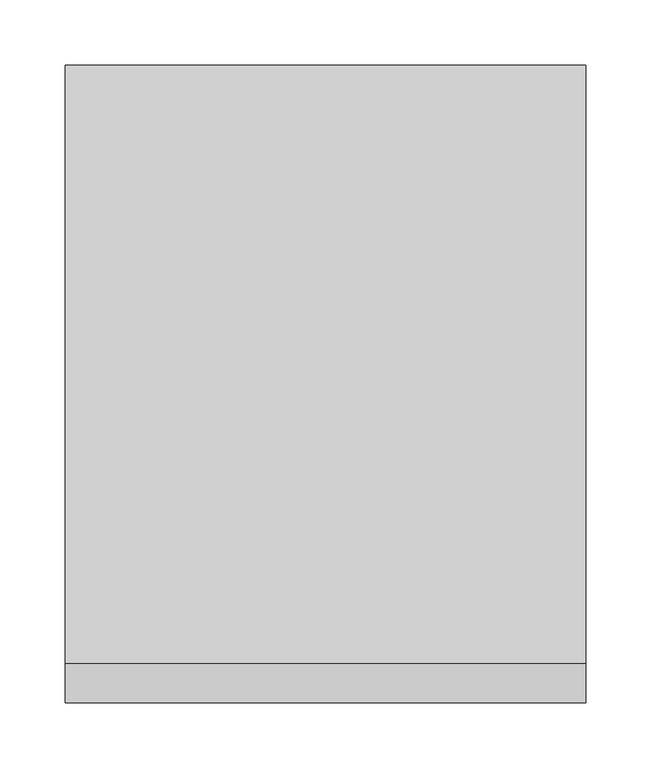
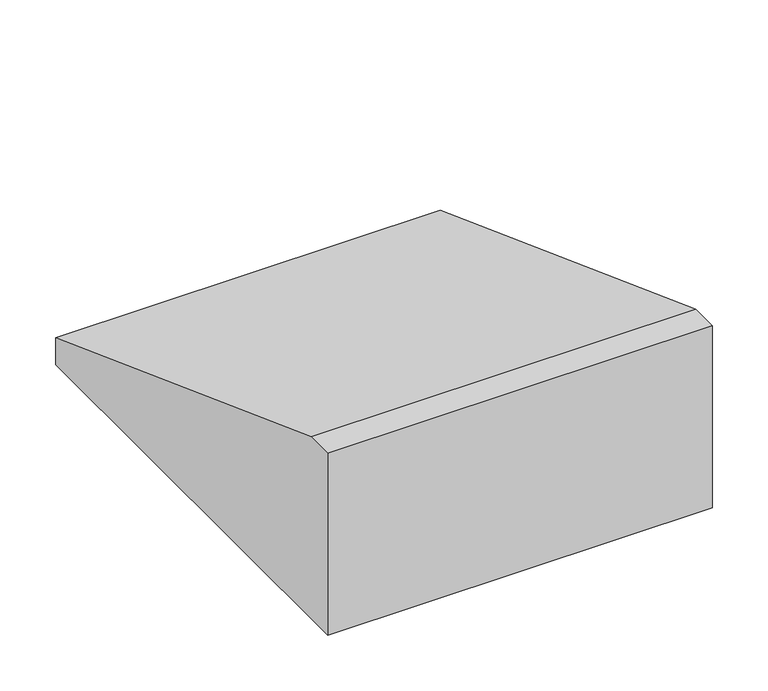
"""IFC4 building model written with IfcOpenShell, lengths in millimetres: furniture geometry."""

import ifcopenshell
import ifcopenshell.guid

model = None  # the IFC model being written
_history = None  # IfcOwnerHistory: only IFC2X3 demands one
_inside = {}  # id of a spatial element -> (the spatial element, [elements in it])
_under = {}  # id of a project, library or spatial element -> (it, [spatial elements below it])
_declared = {}  # id of a project -> (the project, [libraries it declares])
_typed = {}  # id of a type object -> (the type object, [elements of that type])
_made_of = {}  # id of a material, layer set ... -> (it, [elements and type objects made of it])


def new_model(schema):
    """Start an empty IFC model of exactly this schema.

    Asked for "IFC4X3", IfcOpenShell would pick the latest addendum, in which some entities
    have other attributes; the version numbers below select the first issue.
    IFC2X3 requires an IfcOwnerHistory on every rooted entity: one is made here for all.
    """
    global model, _history
    if schema == "IFC4X3":
        model = ifcopenshell.file(schema_version=(4, 3, 0, 0))
    else:
        model = ifcopenshell.file(schema=schema)
    _inside.clear()
    _under.clear()
    _declared.clear()
    _typed.clear()
    _made_of.clear()
    _history = None
    if model.schema == "IFC2X3":
        org = make("IfcOrganization", Name="unknown")
        user = make(
            "IfcPersonAndOrganization",
            ThePerson=make("IfcPerson", FamilyName="unknown"),
            TheOrganization=org,
        )
        app = make(
            "IfcApplication",
            ApplicationDeveloper=org,
            Version="unknown",
            ApplicationFullName="unknown",
            ApplicationIdentifier="unknown",
        )
        _history = make(
            "IfcOwnerHistory",
            OwningUser=user,
            OwningApplication=app,
            ChangeAction="ADDED",
            CreationDate=0,
        )
    return model


def make(cls, **values):
    """One entity of the class cls with the attributes given. An attribute that is None is left unset."""
    return model.create_entity(
        cls, **{name: value for name, value in values.items() if value is not None}
    )


def rooted(cls, **values):
    """An entity with a GlobalId (a new one), such as an element, a storey or a relation."""
    return make(cls, GlobalId=ifcopenshell.guid.new(), OwnerHistory=_history, **values)


def si_unit(unit_type, name, prefix=None):
    """IfcSIUnit, for example si_unit("LENGTHUNIT", "METRE", prefix="MILLI")."""
    return make("IfcSIUnit", UnitType=unit_type, Prefix=prefix, Name=name)


def assignment(units):
    """IfcUnitAssignment: the units of a project."""
    return None if units is None else make("IfcUnitAssignment", Units=units)


def point(xyz):
    """IfcCartesianPoint."""
    return None if xyz is None else make("IfcCartesianPoint", Coordinates=xyz)


def direction(xyz):
    """IfcDirection."""
    return None if xyz is None else make("IfcDirection", DirectionRatios=xyz)


def frame(location, z_axis=None, x_axis=None):
    """IfcAxis2Placement3D, a coordinate frame: its origin and axes. An axis left out is left unset."""
    return make(
        "IfcAxis2Placement3D",
        Location=point(location),
        Axis=direction(z_axis),
        RefDirection=direction(x_axis),
    )


def origin():
    """The frame at (0, 0, 0) with its axes left unset."""
    return frame((0.0, 0.0, 0.0))


def place(relative_to, where):
    """IfcLocalPlacement: puts the frame where relative to a parent placement (None: the world)."""
    return make(
        "IfcLocalPlacement", PlacementRelTo=relative_to, RelativePlacement=where
    )


def context(
    kind, dimensions, precision=None, world=None, true_north=None, identifier=None
):
    """IfcGeometricRepresentationContext, for example the 3D "Model" context."""
    return make(
        "IfcGeometricRepresentationContext",
        ContextIdentifier=identifier,
        ContextType=kind,
        CoordinateSpaceDimension=dimensions,
        Precision=precision,
        WorldCoordinateSystem=world,
        TrueNorth=true_north,
    )


def project(units=None, contexts=None):
    """IfcProject with its units and contexts."""
    return rooted(
        "IfcProject",
        Name="project",
        RepresentationContexts=contexts,
        UnitsInContext=assignment(units),
    )


def spatial(cls, under=None, at=None, **own):
    """A site, building, storey or space (cls), placed at a placement, below another one or the project."""
    s = rooted(cls, ObjectPlacement=at, **own)
    if under is not None:
        _under.setdefault(under.id(), (under, []))[1].append(s)
    return s


def polyline(points):
    """IfcPolyline through the points."""
    return make("IfcPolyline", Points=[point(p) for p in points])


def outline(outer, holes=None, kind="AREA"):
    """IfcArbitraryClosedProfileDef: a profile drawn as a closed curve; with holes, ...WithVoids."""
    if holes is None:
        return make("IfcArbitraryClosedProfileDef", ProfileType=kind, OuterCurve=outer)
    return make(
        "IfcArbitraryProfileDefWithVoids",
        ProfileType=kind,
        OuterCurve=outer,
        InnerCurves=holes,
    )


def extrude(swept, where, along, depth):
    """IfcExtrudedAreaSolid: the profile swept, set in the frame where, extruded along a direction by depth."""
    return make(
        "IfcExtrudedAreaSolid",
        SweptArea=swept,
        Position=where,
        ExtrudedDirection=direction(along),
        Depth=depth,
    )


def shape(context_of_items, identifier, shape_type, items):
    """IfcShapeRepresentation: the items that make up one representation, for example the "Body"."""
    return make(
        "IfcShapeRepresentation",
        ContextOfItems=context_of_items,
        RepresentationIdentifier=identifier,
        RepresentationType=shape_type,
        Items=items,
    )


def source(mapping_origin, context_of_items, identifier, shape_type, items):
    """IfcRepresentationMap: a shape defined once, which mapped items show again and again."""
    return make(
        "IfcRepresentationMap",
        MappingOrigin=mapping_origin,
        MappedRepresentation=shape(context_of_items, identifier, shape_type, items),
    )


def transform(
    local_origin,
    x_axis=None,
    y_axis=None,
    z_axis=None,
    scale=None,
    scale2=None,
    scale3=None,
    uniform=True,
):
    """IfcCartesianTransformationOperator3D, or its non-uniform kind. x_axis, y_axis, z_axis: its Axis1, 2, 3."""
    if uniform:
        return make(
            "IfcCartesianTransformationOperator3D",
            Axis1=direction(x_axis),
            Axis2=direction(y_axis),
            LocalOrigin=point(local_origin),
            Scale=scale,
            Axis3=direction(z_axis),
        )
    return make(
        "IfcCartesianTransformationOperator3DnonUniform",
        Axis1=direction(x_axis),
        Axis2=direction(y_axis),
        LocalOrigin=point(local_origin),
        Scale=scale,
        Axis3=direction(z_axis),
        Scale2=scale2,
        Scale3=scale3,
    )


def mapped(mapping_source, mapping_target):
    """IfcMappedItem: shows the shape of a source again, moved by a transform."""
    return make(
        "IfcMappedItem", MappingSource=mapping_source, MappingTarget=mapping_target
    )


def made_of(thing, what):
    """Note that an element or type object is made of a material, layer set ...; save() writes the relation."""
    if what is not None:
        _made_of.setdefault(what.id(), (what, []))[1].append(thing)
    return thing


def element(
    cls,
    number,
    at=None,
    inside=None,
    cuts=None,
    type_object=None,
    material=None,
    context=None,
    identifier="Body",
    shape_type=None,
    held_by="IfcProductDefinitionShape",
    body=None,
    shapes=None,
    **own,
):
    """One element of the class cls, such as IfcWall. Its Tag is "e" and its number.

    at: its placement. inside: the storey or other place that contains it. cuts: it is an
    opening in that element (IfcRelVoidsElement). A single representation is given by context,
    identifier, shape_type and body (its items); several are given by shapes. held_by: the class
    of the entity that holds the representations. save() writes the other relations.
    """
    e = rooted(cls, Tag="e%d" % number, ObjectPlacement=at, **own)
    if body is not None:
        shapes = [shape(context, identifier, shape_type, body)]
    if shapes is not None:
        e.Representation = make(held_by, Representations=shapes)
    if inside is not None:
        _inside.setdefault(inside.id(), (inside, []))[1].append(e)
    if cuts is not None:
        rooted(
            "IfcRelVoidsElement", RelatingBuildingElement=cuts, RelatedOpeningElement=e
        )
    if type_object is not None:
        _typed.setdefault(type_object.id(), (type_object, []))[1].append(e)
    return made_of(e, material)


def aggregate(whole, parts):
    """IfcRelAggregates: a whole, such as a stair, and the parts it consists of."""
    return rooted("IfcRelAggregates", RelatingObject=whole, RelatedObjects=parts)


def save(model, path):
    """Write the relations noted so far, then the file.

    IfcRelAggregates (storeys below a building ...), IfcRelContainedInSpatialStructure (elements
    in a storey), IfcRelDefinesByType, IfcRelAssociatesMaterial and IfcRelDeclares: one each for
    every whole, place, type object, material and project.
    """
    for whole, parts in _under.values():
        aggregate(whole, parts)
    for where, things in _inside.values():
        rooted(
            "IfcRelContainedInSpatialStructure",
            RelatedElements=things,
            RelatingStructure=where,
        )
    for kind, things in _typed.values():
        rooted("IfcRelDefinesByType", RelatedObjects=things, RelatingType=kind)
    for what, things in _made_of.values():
        rooted("IfcRelAssociatesMaterial", RelatedObjects=things, RelatingMaterial=what)
    for by, libraries in _declared.values():
        rooted("IfcRelDeclares", RelatingContext=by, RelatedDefinitions=libraries)
    model.write(path)


def furniture_259ae2cb(model_context):
    return source(origin(), model_context, "Body", "SweptSolid", [
        extrude(outline(polyline([(245.0, 30.0), (245.0, 0.0), (-245.0, 0.0), (-245.0, 200.0), (-215.0, 200.0), (245.0, 30.0)])), frame((-200.0, 0.0, 0.0), z_axis=(1.0, 0.0, 0.0), x_axis=(0.0, 1.0, 0.0)), (0.0, 0.0, 1.0), 400.0),
    ])


if __name__ == "__main__":
    model = new_model("IFC4")
    model_context = context("Model", 3, world=origin())
    ifc_project = project(units=[si_unit("LENGTHUNIT", "METRE", prefix="MILLI")], contexts=[model_context])
    site = spatial("IfcSite", under=ifc_project)
    building = spatial("IfcBuilding", under=site)
    placement = place(None, origin())
    furniture_shape = furniture_259ae2cb(model_context)
    element("IfcFurniture", 1, at=placement, inside=building, context=model_context, shape_type="MappedRepresentation", body=[
        mapped(furniture_shape, transform((0.0, 0.0, 0.0), x_axis=(1.0, 0.0, 0.0), y_axis=(0.0, 1.0, 0.0), z_axis=(0.0, 0.0, 1.0))),
    ])
    save(model, "model.ifc")
